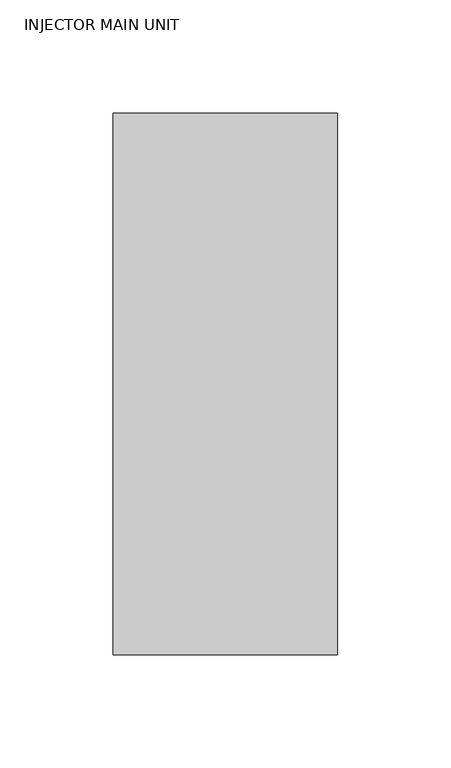
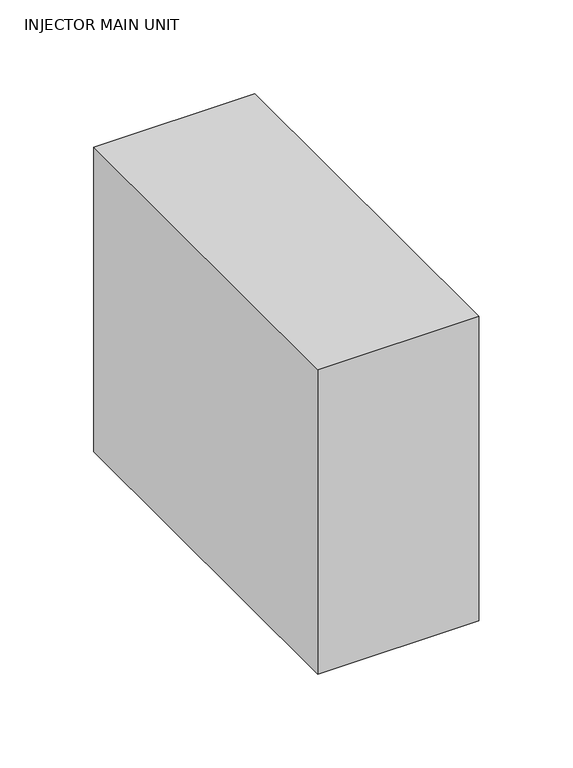
"""IFC4 building model written with IfcOpenShell, lengths in millimetres: proxy geometry, INJECTOR MAIN UNIT."""

from ifc_helpers import new_model, si_unit, origin, origin_with_axes, place, context, project, spatial, polyline, outline, extrude, source, transform, mapped, element, save


def injector_main_unit_f8617386(model_context):
    return source(origin(), model_context, "Body", "SweptSolid", [
        extrude(outline(polyline([(49.53, 0.0), (49.53, -238.76), (-49.53, -238.76), (-49.53, 0.0), (49.53, 0.0)])), origin_with_axes(), (0.0, 0.0, 1.0), 198.12),
    ])


if __name__ == "__main__":
    model = new_model("IFC4")
    model_context = context("Model", 3, world=origin())
    ifc_project = project(units=[si_unit("LENGTHUNIT", "METRE", prefix="MILLI")], contexts=[model_context])
    site = spatial("IfcSite", under=ifc_project)
    building = spatial("IfcBuilding", under=site)
    placement = place(None, origin())
    injector_main_unit_shape = injector_main_unit_f8617386(model_context)
    element("IfcBuildingElementProxy", 1, Name="INJECTOR MAIN UNIT", ObjectType="INJECTOR MAIN UNIT", at=placement, inside=building, context=model_context, shape_type="MappedRepresentation", body=[
        mapped(injector_main_unit_shape, transform((0.0, 0.0, 0.0), x_axis=(1.0, 0.0, 0.0), y_axis=(0.0, 1.0, 0.0), z_axis=(0.0, 0.0, 1.0))),
    ])
    save(model, "model.ifc")
